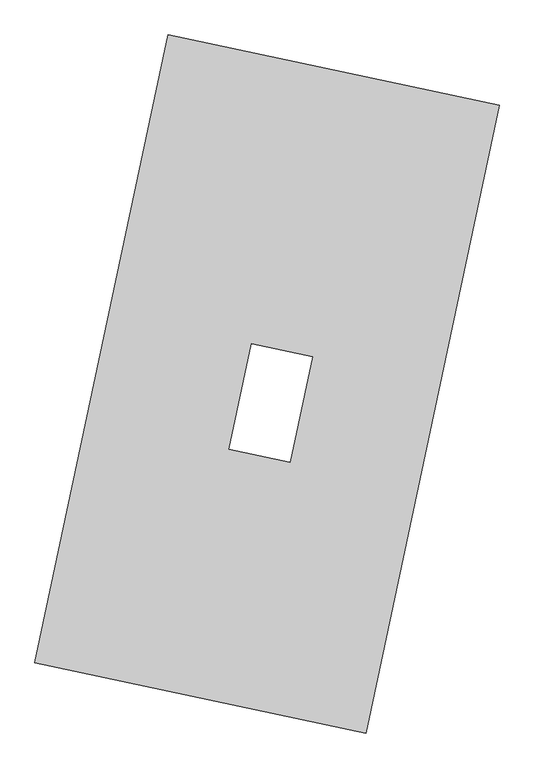
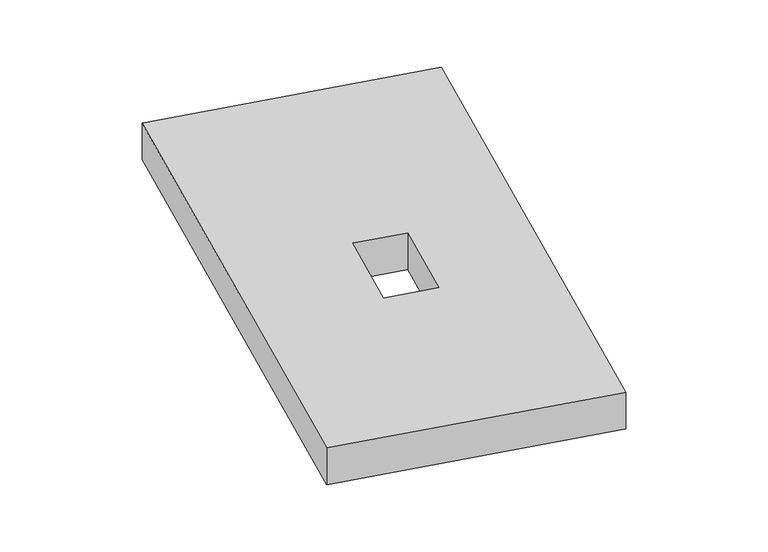
"""IFC4 building model written with IfcOpenShell, lengths in millimetres: proxy geometry."""

from ifc_helpers import new_model, si_unit, origin, origin_with_axes, place, context, project, spatial, polyline, outline, extrude, source, transform, mapped, element, save


def generic_models_cd09d166(model_context):
    return source(origin(), model_context, "Body", "SweptSolid", [
        extrude(outline(polyline([(-617.3692021, 2175.5580432), (1447.7508745, 1737.3010494), (617.3692021, -2175.5580432), (-1447.7508745, -1737.3010494), (-617.3692021, 2175.5580432)]), holes=[polyline([(283.1057625, 170.479826), (-97.8688743, 251.3297489), (-237.3271538, -405.8145683), (143.647483, -486.6644913), (283.1057625, 170.479826)])]), origin_with_axes(), (0.0, 0.0, 1.0), 300.0),
    ])


if __name__ == "__main__":
    model = new_model("IFC4")
    model_context = context("Model", 3, world=origin())
    ifc_project = project(units=[si_unit("LENGTHUNIT", "METRE", prefix="MILLI")], contexts=[model_context])
    site = spatial("IfcSite", under=ifc_project)
    building = spatial("IfcBuilding", under=site)
    placement = place(None, origin())
    generic_models_shape = generic_models_cd09d166(model_context)
    element("IfcBuildingElementProxy", 1, Name="Generic Models", at=placement, inside=building, context=model_context, shape_type="MappedRepresentation", body=[
        mapped(generic_models_shape, transform((0.0, 0.0, 0.0), x_axis=(1.0, 0.0, 0.0), y_axis=(0.0, 1.0, 0.0), z_axis=(0.0, 0.0, 1.0))),
    ])
    save(model, "model.ifc")
